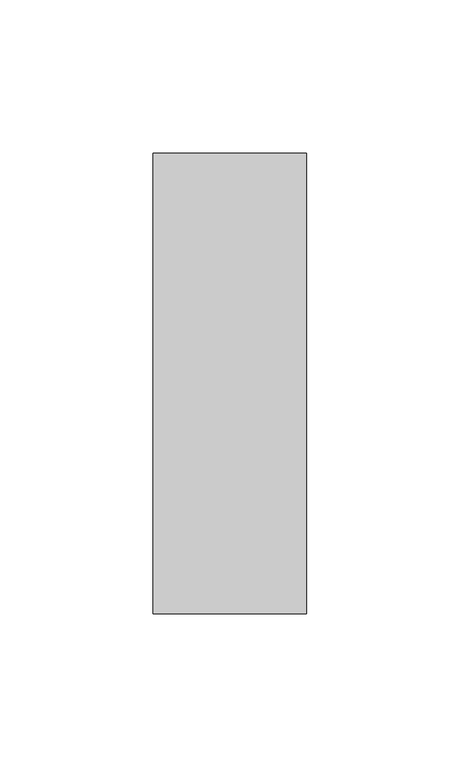
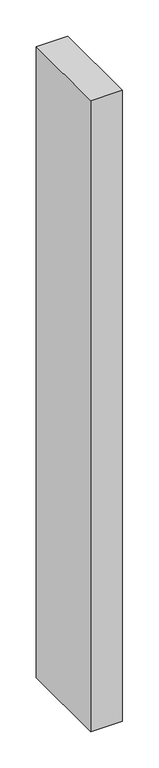
"""IFC4 building model written with IfcOpenShell, lengths in millimetres: member geometry."""

from ifc_helpers import new_model, si_unit, frame, origin, place, context, project, spatial, polyline, outline, extrude, source, transform, mapped, element, save


def member_81b7b0e2(model_context):
    return source(origin(), model_context, "Body", "SweptSolid", [
        extrude(outline(polyline([(0.0, 75.0), (0.0, -75.0), (-50.0, -75.0), (-50.0, 75.0), (0.0, 75.0)])), frame((0.0, 0.0, -1060.0), z_axis=(0.0, 0.0, 1.0), x_axis=(1.0, 0.0, 0.0)), (0.0, 0.0, 1.0), 1060.0),
    ])


if __name__ == "__main__":
    model = new_model("IFC4")
    model_context = context("Model", 3, world=origin())
    ifc_project = project(units=[si_unit("LENGTHUNIT", "METRE", prefix="MILLI")], contexts=[model_context])
    site = spatial("IfcSite", under=ifc_project)
    building = spatial("IfcBuilding", under=site)
    placement = place(None, origin())
    member_shape = member_81b7b0e2(model_context)
    element("IfcMember", 1, at=placement, inside=building, context=model_context, shape_type="MappedRepresentation", body=[
        mapped(member_shape, transform((0.0, 0.0, 0.0), x_axis=(1.0, 0.0, 0.0), y_axis=(0.0, 1.0, 0.0), z_axis=(0.0, 0.0, 1.0))),
    ])
    save(model, "model.ifc")
